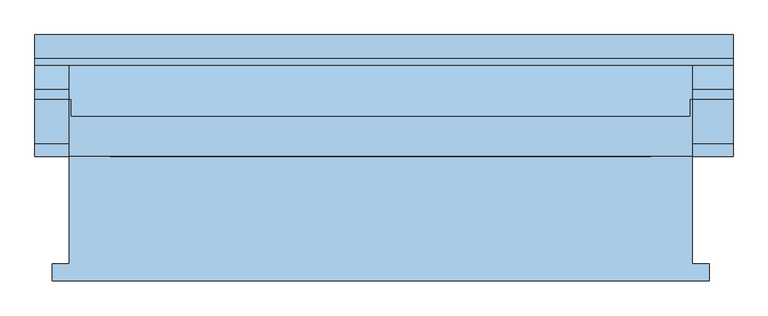
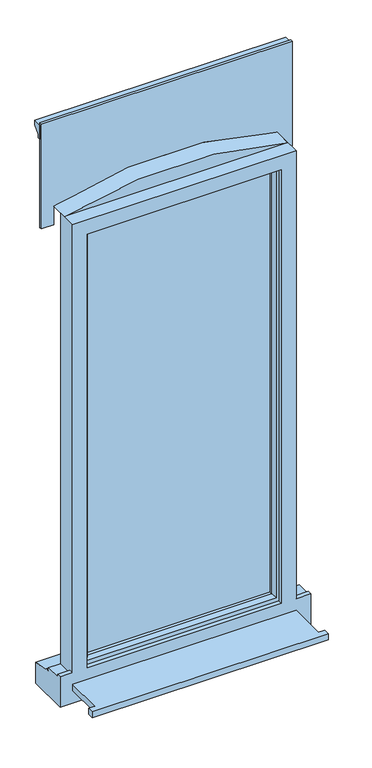
"""IFC4 building model written with IfcOpenShell, lengths in millimetres: window geometry."""

from ifc_helpers import new_model, si_unit, point, frame, frame_2d, origin, place, context, project, spatial, polyline, circle_curve, trimmed, segment, composite_curve, outline, extrude, faceted_brep, source, transform, mapped, element, save


def window_d33e9096(model_context):
    return source(origin(), model_context, "Body", "SolidModel", [
        extrude(outline(polyline([(-480.0, -161.5434322), (-480.0, -136.5434322), (-455.0, -136.5434322), (-455.0, 20.4565678), (455.0, 20.4565678), (455.0, -136.5434322), (480.0, -136.5434322), (480.0, -161.5434322), (-480.0, -161.5434322)])), frame((0.0, 0.0, 110.0), z_axis=(0.0, 0.0, 1.0), x_axis=(1.0, 0.0, 0.0)), (0.0, 0.0, 1.0), 25.0),
        faceted_brep([(-455.0, 20.4565678, 2110.0), (-455.0, 20.4565678, 185.0), (-505.0, 20.4565678, 185.0), (-505.0, 20.4565678, 53.0), (515.0, 20.4565678, 53.0), (515.0, 20.4565678, 185.0), (455.0, 20.4565678, 185.0), (455.0, 20.4565678, 2110.0), (-395.0, 20.4565678, 2050.0), (395.0, 20.4565678, 2050.0), (395.0, 20.4565678, 185.0), (-395.0, 20.4565678, 185.0), (-455.0, 103.4565678, 2110.0), (-455.0, 103.4565678, 173.0), (-455.0, 38.4565678, 173.0), (-455.0, 38.4565678, 185.0), (455.0, 103.4565678, 2110.0), (455.0, 103.4565678, 173.0), (515.0, 103.4565678, 173.0), (515.0, 103.4565678, 161.0), (-505.0, 103.4565678, 161.0), (-505.0, 103.4565678, 173.0), (-415.0, 103.4565678, 2070.0), (-415.0, 103.4565678, 173.0), (415.0, 103.4565678, 173.0), (415.0, 103.4565678, 2070.0), (-415.0, 38.4565678, 2070.0), (-415.0, 38.4565678, 173.0), (-505.0, 38.4565678, 173.0), (-505.0, 38.4565678, 185.0), (515.0, 38.4565678, 185.0), (515.0, 38.4565678, 173.0), (455.0, 38.4565678, 173.0), (455.0, 38.4565678, 185.0), (415.0, 38.4565678, 2070.0), (415.0, 38.4565678, 173.0), (-395.0, 38.4565678, 2050.0), (-395.0, 38.4565678, 185.0), (395.0, 38.4565678, 185.0), (395.0, 38.4565678, 2050.0), (515.0, 190.9565678, 53.0), (515.0, 190.9565678, 143.8088847), (515.0, 118.4565678, 154.7449676), (515.0, 118.4565678, 159.68767), (-505.0, 118.4565678, 159.68767), (-505.0, 118.4565678, 154.7449676), (-505.0, 190.9565678, 143.8088847), (-505.0, 190.9565678, 53.0)], [[[0, 1, 2, 3, 4, 5, 6, 7], [8, 9, 10, 11]], [[0, 12, 13, 14, 15, 1]], [[13, 12, 16, 17, 18, 19, 20, 21], [22, 23, 24, 25]], [[23, 22, 26, 27]], [[28, 29, 15, 14]], [[30, 31, 32, 33]], [[26, 34, 35, 27], [36, 37, 38, 39]], [[36, 8, 11, 37]], [[0, 7, 16, 12]], [[22, 25, 34, 26]], [[9, 8, 36, 39]], [[17, 16, 7, 6, 33, 32]], [[25, 24, 35, 34]], [[9, 39, 38, 10]], [[5, 4, 40, 41, 42, 43, 19, 18, 31, 30]], [[2, 29, 28, 21, 20, 44, 45, 46, 47, 3]], [[40, 4, 3, 47]], [[41, 40, 47, 46]], [[42, 41, 46, 45]], [[43, 42, 45, 44]], [[19, 43, 44, 20]], [[27, 35, 24, 23]], [[31, 18, 17, 32]], [[21, 28, 14, 13]], [[11, 10, 38, 37]], [[5, 30, 33, 6]], [[29, 2, 1, 15]]]),
        extrude(outline(polyline([(385.0, 67.4565678), (-385.0, 67.4565678), (-385.0, 91.4565678), (385.0, 91.4565678), (385.0, 67.4565678)])), frame((0.0, 0.0, 203.0), z_axis=(0.0, 0.0, 1.0), x_axis=(1.0, 0.0, 0.0)), (0.0, 0.0, 1.0), 1837.0),
        faceted_brep([(-425.0, 103.4565678, 2080.0), (-425.0, 111.7300705, 2080.0), (-425.0, 111.7300705, 163.0), (-425.0, 103.4565678, 163.0), (-415.0, 38.4565678, 2070.0), (-415.0, 103.4565678, 2070.0), (-415.0, 103.4565678, 173.0), (-415.0, 38.4565678, 173.0), (-375.0, 52.9494677, 2030.0), (-385.1480377, 38.4565678, 2040.1480377), (-385.1480377, 38.4565678, 202.8519623), (-375.0, 52.9494677, 213.0), (-375.0, 67.4565678, 2030.0), (-375.0, 67.4565678, 213.0), (-385.0, 91.4565678, 2040.0), (-385.0, 67.4565678, 2040.0), (-385.0, 67.4565678, 203.0), (-385.0, 91.4565678, 203.0), (-375.0, 109.2300705, 2030.0), (-375.0, 91.4565678, 2030.0), (-375.0, 91.4565678, 213.0), (-375.0, 109.2300705, 213.0), (-392.4457548, 120.0035732, 2047.4457548), (-392.4457548, 120.0035732, 195.5542452), (-414.2153903, 120.0035732, 2069.2153903), (-414.2153903, 120.0035732, 173.7846097), (425.0, 111.7300705, 163.0), (425.0, 103.4565678, 163.0), (415.0, 103.4565678, 173.0), (415.0, 38.4565678, 173.0), (385.1480377, 38.4565678, 202.8519623), (375.0, 52.9494677, 213.0), (375.0, 67.4565678, 213.0), (385.0, 67.4565678, 203.0), (385.0, 91.4565678, 203.0), (375.0, 91.4565678, 213.0), (375.0, 109.2300705, 213.0), (392.4457548, 120.0035732, 195.5542452), (414.2153903, 120.0035732, 173.7846097), (425.0, 111.7300705, 2080.0), (425.0, 103.4565678, 2080.0), (415.0, 103.4565678, 2070.0), (415.0, 38.4565678, 2070.0), (385.1480377, 38.4565678, 2040.1480377), (375.0, 52.9494677, 2030.0), (375.0, 67.4565678, 2030.0), (385.0, 67.4565678, 2040.0), (385.0, 91.4565678, 2040.0), (375.0, 91.4565678, 2030.0), (375.0, 109.2300705, 2030.0), (392.4457548, 120.0035732, 2047.4457548), (414.2153903, 120.0035732, 2069.2153903)], [[[0, 1, 2, 3]], [[4, 5, 6, 7]], [[8, 9, 10, 11]], [[12, 8, 11, 13]], [[14, 15, 16, 17]], [[18, 19, 20, 21]], [[22, 18, 21, 23]], [[1, 24, 25, 2]], [[3, 2, 26, 27]], [[7, 6, 28, 29]], [[11, 10, 30, 31]], [[13, 11, 31, 32]], [[17, 16, 33, 34]], [[21, 20, 35, 36]], [[23, 21, 36, 37]], [[2, 25, 38, 26]], [[27, 26, 39, 40]], [[29, 28, 41, 42]], [[31, 30, 43, 44]], [[32, 31, 44, 45]], [[34, 33, 46, 47]], [[36, 35, 48, 49]], [[37, 36, 49, 50]], [[26, 38, 51, 39]], [[40, 39, 1, 0]], [[3, 27, 40, 0], [5, 41, 28, 6]], [[42, 41, 5, 4]], [[7, 29, 42, 4], [9, 43, 30, 10]], [[44, 43, 9, 8]], [[45, 44, 8, 12]], [[15, 46, 33, 16], [13, 32, 45, 12]], [[47, 46, 15, 14]], [[17, 34, 47, 14], [19, 48, 35, 20]], [[49, 48, 19, 18]], [[50, 49, 18, 22]], [[24, 51, 38, 25], [23, 37, 50, 22]], [[39, 51, 24, 1]]]),
        extrude(outline(polyline([(195.800695, -390.0), (195.800695, 390.0), (1136.5, 390.0), (1136.5, -390.0), (195.800695, -390.0)]), holes=[polyline([(1066.5, -320.0), (1066.5, 320.0), (265.800695, 320.0), (265.800695, -320.0), (1066.5, -320.0)])]), frame((0.0, 115.0035732, 0.0), z_axis=(0.0, 1.0, 0.0), x_axis=(0.0, 0.0, 1.0)), (0.0, 0.0, 1.0), 15.9529946),
        extrude(outline(polyline([(163.1390049, 2410.0), (163.1390049, 2470.0), (197.8877422, 2470.0), (197.8877422, 2449.7487373), (173.1390049, 2425.0), (173.1390049, 2410.0), (163.1390049, 2410.0)])), frame((-505.0, 0.0, 0.0), z_axis=(1.0, 0.0, 0.0), x_axis=(0.0, 1.0, 0.0)), (0.0, 0.0, 1.0), 1020.0),
        extrude(outline(composite_curve([segment(polyline([(2110.0, -455.0), (2110.0, 455.0)]), True, "CONTINUOUS"), segment(trimmed(circle_curve(frame_2d((480.6732354, 0.0)), 1691.665069), [point((2110.0, 455.0))], [point((2110.0, -455.0))], False, "CARTESIAN"), True, "CONTINUOUS")], self_intersect=False)), frame((0.0, 79.3266096, 0.0), z_axis=(0.0, 1.0, 0.0), x_axis=(0.0, 0.0, 1.0)), (0.0, 0.0, 1.0), 80.3363325),
        extrude(outline(composite_curve([segment(polyline([(2030.0, 515.0), (2480.0, 515.0), (2480.0, -505.0), (2030.0, -505.0), (2030.0, -455.0), (2110.0, -455.0)]), True, "CONTINUOUS"), segment(trimmed(circle_curve(frame_2d((680.6732354, 0.0)), 1500.0), [point((2110.0, -455.0))], [point((2110.0, 455.0))], True, "CARTESIAN"), True, "CONTINUOUS"), segment(polyline([(2110.0, 455.0), (2030.0, 455.0), (2030.0, 515.0)]), True, "CONTINUOUS")], self_intersect=False)), frame((0.0, 153.4565678, 0.0), z_axis=(0.0, 1.0, 0.0), x_axis=(0.0, 0.0, 1.0)), (0.0, 0.0, 1.0), 9.682437),
        extrude(outline(polyline([(1101.5, -375.0), (1101.5, 375.0), (2030.0, 375.0), (2030.0, -375.0), (1101.5, -375.0)]), holes=[polyline([(1960.7039769, -305.7039769), (1960.7039769, 305.7039769), (1170.7960231, 305.7039769), (1170.7960231, -305.7039769), (1960.7039769, -305.7039769)])]), frame((0.0, 103.4565678, 0.0), z_axis=(0.0, 1.0, 0.0), x_axis=(0.0, 0.0, 1.0)), (0.0, 0.0, 1.0), 11.5470054),
    ])


if __name__ == "__main__":
    model = new_model("IFC4")
    model_context = context("Model", 3, world=origin())
    ifc_project = project(units=[si_unit("LENGTHUNIT", "METRE", prefix="MILLI")], contexts=[model_context])
    site = spatial("IfcSite", under=ifc_project)
    building = spatial("IfcBuilding", under=site)
    placement = place(None, origin())
    window_shape = window_d33e9096(model_context)
    element("IfcWindow", 1, at=placement, inside=building, context=model_context, shape_type="MappedRepresentation", body=[
        mapped(window_shape, transform((0.0, 0.0, 0.0), x_axis=(1.0, 0.0, 0.0), y_axis=(0.0, 1.0, 0.0), z_axis=(0.0, 0.0, 1.0))),
    ])
    save(model, "model.ifc")
